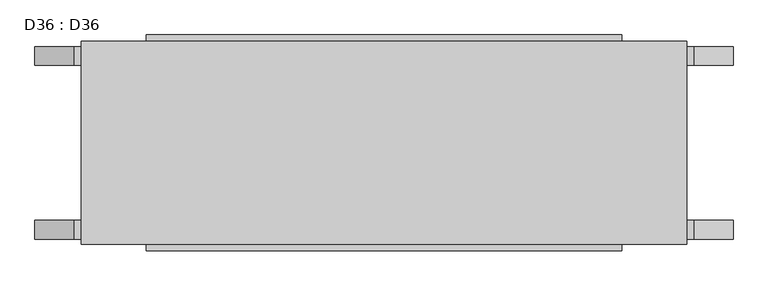
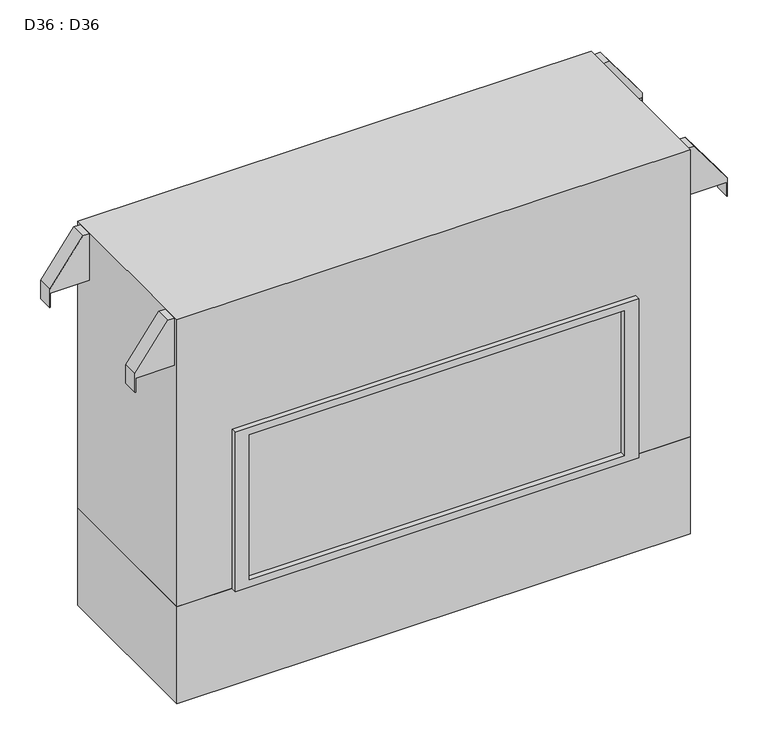
"""IFC4 building model written with IfcOpenShell, lengths in millimetres: proxy geometry, D36 : D36."""

from ifc_helpers import new_model, si_unit, frame, origin, origin_with_axes, place, context, project, spatial, polyline, outline, extrude, source, transform, mapped, element, save


def d36_d36_6f4c5c59(model_context):
    return source(origin(), model_context, "Body", "SweptSolid", [
        extrude(outline(polyline([(911.8600077, -658.8125), (1038.8600077, -658.8125), (1038.8600077, -675.6019363), (923.725043, -760.1840267), (873.7600292, -760.1840267), (873.7600292, -758.6600552), (911.8600077, -758.6600552), (911.8600077, -658.8125)])), frame((0.0, 169.1535326, 0.0), z_axis=(0.0, 1.0, 0.0), x_axis=(0.0, 0.0, 1.0)), (0.0, 0.0, 1.0), 40.3964674),
        extrude(outline(polyline([(911.8600077, -658.8125), (1038.8600077, -658.8125), (1038.8600077, -675.6019363), (923.725043, -760.1840267), (873.7600292, -760.1840267), (873.7600292, -758.6600552), (911.8600077, -758.6600552), (911.8600077, -658.8125)])), frame((0.0, -209.55, 0.0), z_axis=(0.0, 1.0, 0.0), x_axis=(0.0, 0.0, 1.0)), (0.0, 0.0, 1.0), 40.3964674),
        extrude(outline(polyline([(911.8600077, 658.8125), (911.8600077, 758.6600552), (873.7600292, 758.6600552), (873.7600292, 760.1840267), (923.725043, 760.1840267), (1038.8600077, 675.6019363), (1038.8600077, 658.8125), (911.8600077, 658.8125)])), frame((0.0, 169.1535326, 0.0), z_axis=(0.0, 1.0, 0.0), x_axis=(0.0, 0.0, 1.0)), (0.0, 0.0, 1.0), 40.3964674),
        extrude(outline(polyline([(911.8600077, 658.8125), (911.8600077, 758.6600552), (873.7600292, 758.6600552), (873.7600292, 760.1840267), (923.725043, 760.1840267), (1038.8600077, 675.6019363), (1038.8600077, 658.8125), (911.8600077, 658.8125)])), frame((0.0, -209.55, 0.0), z_axis=(0.0, 1.0, 0.0), x_axis=(0.0, 0.0, 1.0)), (0.0, 0.0, 1.0), 40.3964674),
        extrude(outline(polyline([(481.0125, 220.6625), (481.0125, -220.6625), (-481.0125, -220.6625), (-481.0125, 220.6625), (481.0125, 220.6625)])), frame((0.0, 0.0, 282.575), z_axis=(0.0, 0.0, 1.0), x_axis=(1.0, 0.0, 0.0)), (0.0, 0.0, 1.0), 393.7),
        extrude(outline(polyline([(1041.4, 658.8125), (1041.4, -658.8125), (263.525, -658.8125), (263.525, -517.525), (695.325, -517.525), (695.325, 517.525), (263.525, 517.525), (263.525, 658.8125), (1041.4, 658.8125)])), frame((0.0, -220.6625, 0.0), z_axis=(0.0, 1.0, 0.0), x_axis=(0.0, 0.0, 1.0)), (0.0, 0.0, 1.0), 441.325),
        extrude(outline(polyline([(695.325, 517.525), (695.325, -517.525), (263.525, -517.525), (263.525, 517.525), (695.325, 517.525)]), holes=[polyline([(676.275, -481.0125), (676.275, 481.0125), (282.575, 481.0125), (282.575, -481.0125), (676.275, -481.0125)])]), frame((0.0, -234.95, 0.0), z_axis=(0.0, 1.0, 0.0), x_axis=(0.0, 0.0, 1.0)), (0.0, 0.0, 1.0), 469.9),
        extrude(outline(polyline([(658.8125, 220.6625), (658.8125, -220.6625), (-658.8125, -220.6625), (-658.8125, 220.6625), (658.8125, 220.6625)])), origin_with_axes(), (0.0, 0.0, 1.0), 263.525),
    ])


if __name__ == "__main__":
    model = new_model("IFC4")
    model_context = context("Model", 3, world=origin())
    ifc_project = project(units=[si_unit("LENGTHUNIT", "METRE", prefix="MILLI")], contexts=[model_context])
    site = spatial("IfcSite", under=ifc_project)
    building = spatial("IfcBuilding", under=site)
    placement = place(None, origin())
    d36_d36_shape = d36_d36_6f4c5c59(model_context)
    element("IfcBuildingElementProxy", 1, Name="D36 : D36", ObjectType="D36 : D36", at=placement, inside=building, context=model_context, shape_type="MappedRepresentation", body=[
        mapped(d36_d36_shape, transform((0.0, 0.0, 0.0), x_axis=(1.0, 0.0, 0.0), y_axis=(0.0, 1.0, 0.0), z_axis=(0.0, 0.0, 1.0))),
    ])
    save(model, "model.ifc")
